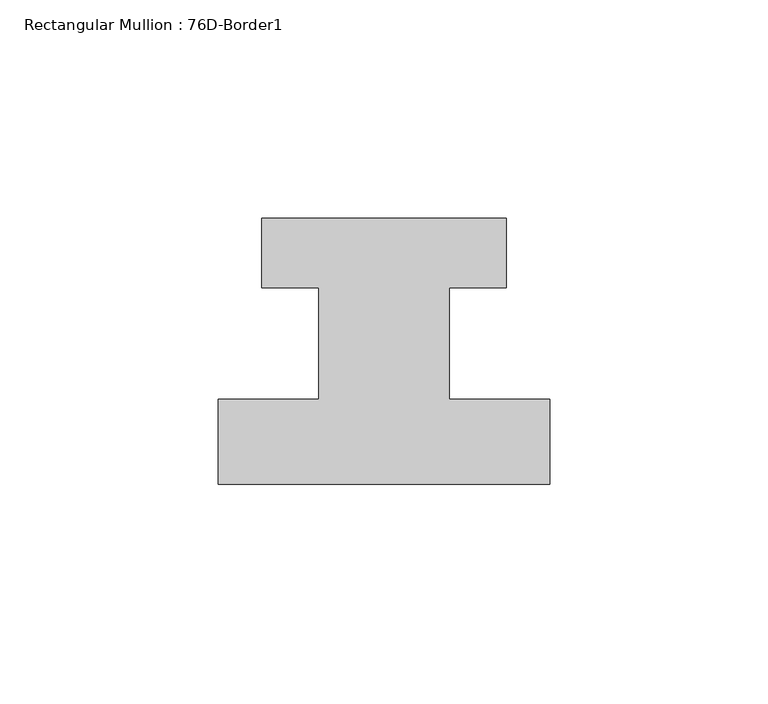
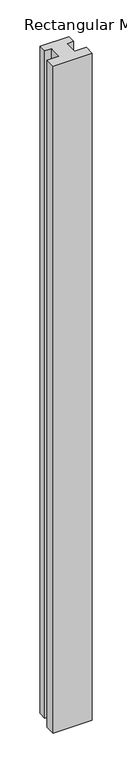
"""IFC4 building model written with IfcOpenShell, lengths in millimetres: member geometry, Rectangular Mullion : 76D-Border1."""

from ifc_helpers import new_model, si_unit, frame, origin, place, context, project, spatial, polyline, outline, extrude, source, transform, mapped, element, save


def rectangular_mullion_76d_border1_cc2d342c(model_context):
    return source(origin(), model_context, "Body", "SweptSolid", [
        extrude(outline(polyline([(-76.0, -20.0), (-76.0, -0.5), (-53.0, -0.5), (-53.0, 25.0), (-66.0, 25.0), (-66.0, 41.0), (-10.0, 41.0), (-10.0, 25.0), (-23.0, 25.0), (-23.0, -0.5), (0.0, -0.5), (0.0, -20.0), (-76.0, -20.0)])), frame((0.0, 0.0, -1362.0), z_axis=(0.0, 0.0, 1.0), x_axis=(1.0, 0.0, 0.0)), (0.0, 0.0, 1.0), 1362.0),
    ])


if __name__ == "__main__":
    model = new_model("IFC4")
    model_context = context("Model", 3, world=origin())
    ifc_project = project(units=[si_unit("LENGTHUNIT", "METRE", prefix="MILLI")], contexts=[model_context])
    site = spatial("IfcSite", under=ifc_project)
    building = spatial("IfcBuilding", under=site)
    placement = place(None, origin())
    rectangular_mullion_76d_border1_shape = rectangular_mullion_76d_border1_cc2d342c(model_context)
    element("IfcMember", 1, ObjectType="Rectangular Mullion : 76D-Border1", at=placement, inside=building, context=model_context, shape_type="MappedRepresentation", body=[
        mapped(rectangular_mullion_76d_border1_shape, transform((0.0, 0.0, 0.0), x_axis=(1.0, 0.0, 0.0), y_axis=(0.0, 1.0, 0.0), z_axis=(0.0, 0.0, 1.0))),
    ])
    save(model, "model.ifc")
